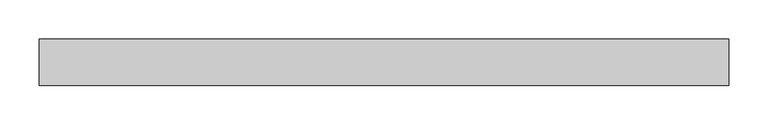
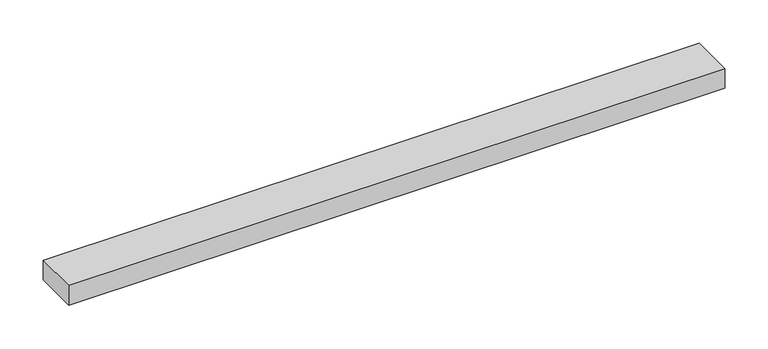
"""IFC4 building model written with IfcOpenShell, lengths in millimetres: proxy geometry."""

from ifc_helpers import new_model, si_unit, frame, origin, place, context, project, spatial, polyline, outline, extrude, source, transform, mapped, element, save


def specialty_equipment_356cf34f(model_context):
    return source(origin(), model_context, "Body", "SweptSolid", [
        extrude(outline(polyline([(-436.3692387, -29.2199219), (-436.3692387, 29.2199219), (436.3692387, 29.2199219), (436.3692387, -29.2199219), (-436.3692387, -29.2199219)])), frame((0.0, 0.0, -13.9898438), z_axis=(0.0, 0.0, 1.0), x_axis=(1.0, 0.0, 0.0)), (0.0, 0.0, 1.0), 27.9796875),
    ])


if __name__ == "__main__":
    model = new_model("IFC4")
    model_context = context("Model", 3, world=origin())
    ifc_project = project(units=[si_unit("LENGTHUNIT", "METRE", prefix="MILLI")], contexts=[model_context])
    site = spatial("IfcSite", under=ifc_project)
    building = spatial("IfcBuilding", under=site)
    placement = place(None, origin())
    specialty_equipment_shape = specialty_equipment_356cf34f(model_context)
    element("IfcBuildingElementProxy", 1, Name="Specialty Equipment", at=placement, inside=building, context=model_context, shape_type="MappedRepresentation", body=[
        mapped(specialty_equipment_shape, transform((0.0, 0.0, 0.0), x_axis=(1.0, 0.0, 0.0), y_axis=(0.0, 1.0, 0.0), z_axis=(0.0, 0.0, 1.0))),
    ])
    save(model, "model.ifc")
